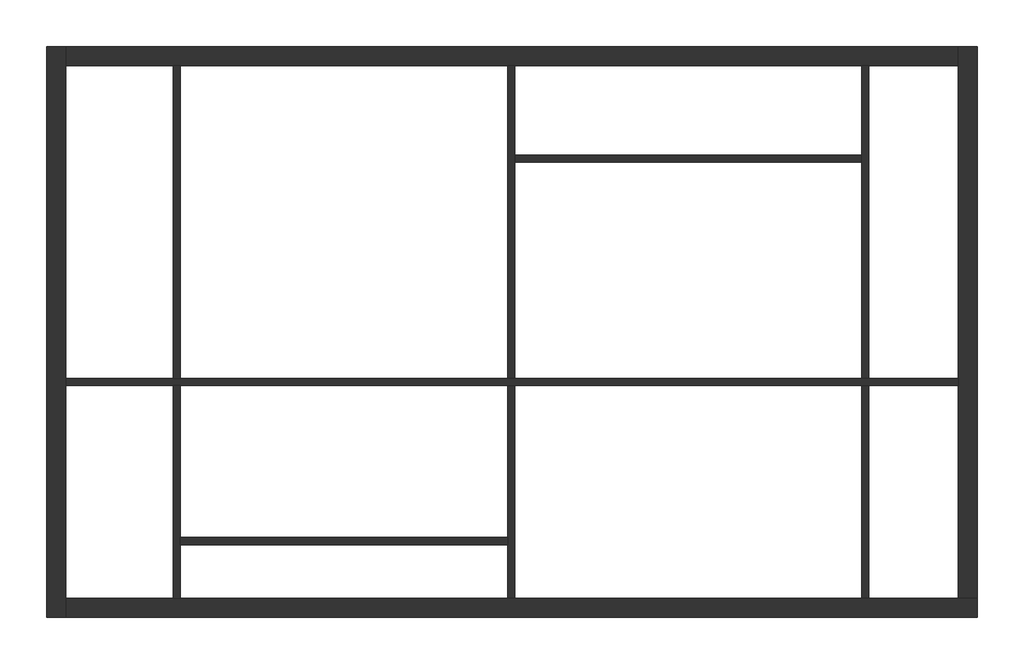
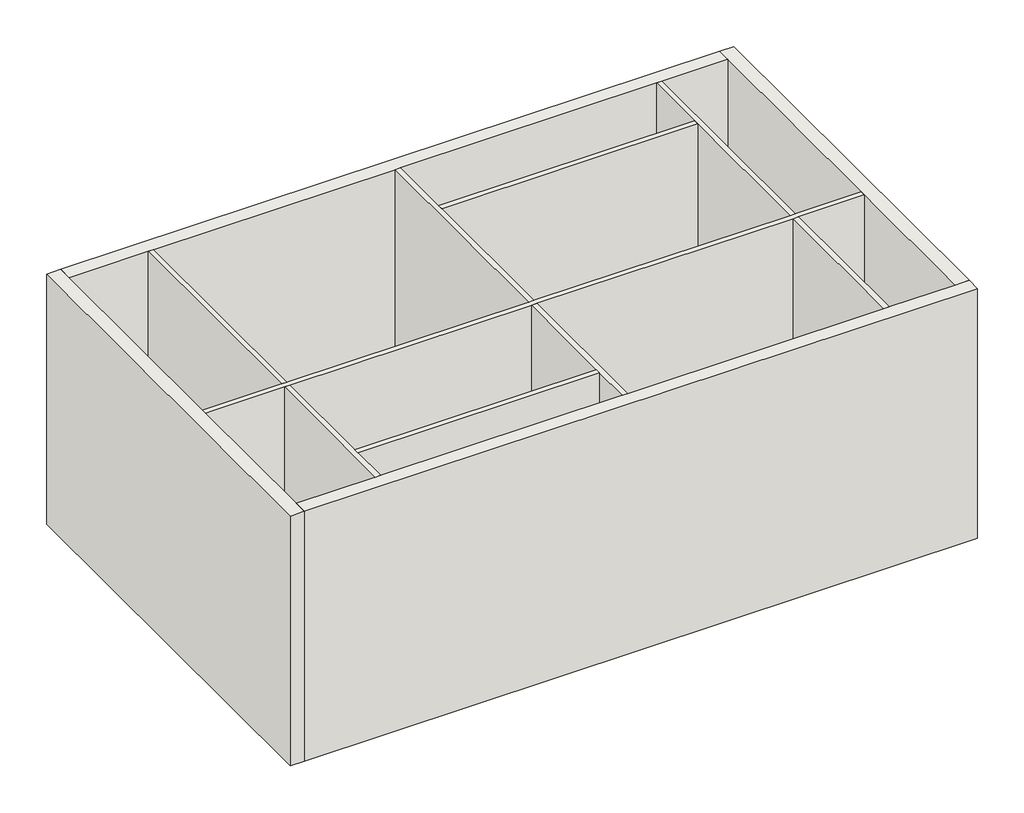
# One storey: 10 walls.
"""IFC4 building model written with IfcOpenShell, lengths in millimetres."""

from ifc_helpers import new_model, si_unit, frame, origin, place, context, project, spatial, polyline, outline, extrude, faceted_brep, element, save

model = new_model("IFC4")

# Units and contexts
model_context = context("Model", 3, world=origin())
ifc_project = project(units=[si_unit("LENGTHUNIT", "METRE", prefix="MILLI")], contexts=[model_context])

# Site, building, storey
site = spatial("IfcSite", under=ifc_project)
building = spatial("IfcBuilding", under=site)
storey = spatial("IfcBuildingStorey", under=building, Elevation=12000.0)

# Walls
placement = place(None, origin())
element("IfcWall", 1, at=placement, inside=storey, context=model_context, shape_type="Brep", body=[
    faceted_brep([(-3948.8295203, 13550.2038861, 12000.0), (-3948.8295203, 7162.2038861, 12000.0), (-3948.8295203, 7162.2038861, 16000.0), (-3948.8295203, 13550.2038861, 16000.0), (-3734.8295203, 13550.2038861, 12000.0), (-3734.8295203, 13550.2038861, 16000.0), (-3734.8295203, 13336.2038861, 16000.0), (-3734.8295203, 9836.2038861, 16000.0), (-3734.8295203, 9756.2038861, 16000.0), (-3734.8295203, 7376.2038861, 16000.0), (-3734.8295203, 7162.2038861, 16000.0), (-3734.8295203, 7162.2038861, 12000.0), (-3734.8295203, 7376.2038861, 12000.0), (-3734.8295203, 9756.2038861, 12000.0), (-3734.8295203, 9836.2038861, 12000.0), (-3734.8295203, 13336.2038861, 12000.0)], [[[0, 1, 2, 3]], [[4, 5, 6, 7, 8, 9, 10, 11, 12, 13, 14, 15]], [[1, 0, 4, 15, 14, 13, 12, 11]], [[3, 2, 10, 9, 8, 7, 6, 5]], [[0, 3, 5, 4]], [[2, 1, 11, 10]]]),
])
element("IfcWall", 2, at=placement, inside=storey, context=model_context, shape_type="Brep", body=[
    faceted_brep([(-3734.8295203, 7162.2038861, 12000.0), (6459.1704797, 7162.2038861, 12000.0), (6459.1704797, 7162.2038861, 16000.0), (-3734.8295203, 7162.2038861, 16000.0), (-3734.8295203, 7376.2038861, 12000.0), (-3734.8295203, 7376.2038861, 16000.0), (-2534.8295203, 7376.2038861, 16000.0), (-2454.8295203, 7376.2038861, 16000.0), (1205.1704797, 7376.2038861, 16000.0), (1285.1704797, 7376.2038861, 16000.0), (5165.1704797, 7376.2038861, 16000.0), (5245.1704797, 7376.2038861, 16000.0), (6245.1704797, 7376.2038861, 16000.0), (6459.1704797, 7376.2038861, 16000.0), (6459.1704797, 7376.2038861, 12000.0), (6245.1704797, 7376.2038861, 12000.0), (5245.1704797, 7376.2038861, 12000.0), (5165.1704797, 7376.2038861, 12000.0), (1285.1704797, 7376.2038861, 12000.0), (1205.1704797, 7376.2038861, 12000.0), (-2454.8295203, 7376.2038861, 12000.0), (-2534.8295203, 7376.2038861, 12000.0)], [[[0, 1, 2, 3]], [[4, 5, 6, 7, 8, 9, 10, 11, 12, 13, 14, 15, 16, 17, 18, 19, 20, 21]], [[1, 0, 4, 21, 20, 19, 18, 17, 16, 15, 14]], [[3, 2, 13, 12, 11, 10, 9, 8, 7, 6, 5]], [[2, 1, 14, 13]], [[0, 3, 5, 4]]]),
])
element("IfcWall", 3, at=placement, inside=storey, context=model_context, shape_type="Brep", body=[
    faceted_brep([(6459.1704797, 7376.2038861, 12000.0), (6459.1704797, 13550.2038861, 12000.0), (6459.1704797, 13550.2038861, 16000.0), (6459.1704797, 7376.2038861, 16000.0), (6245.1704797, 7376.2038861, 12000.0), (6245.1704797, 7376.2038861, 16000.0), (6245.1704797, 9756.2038861, 16000.0), (6245.1704797, 9836.2038861, 16000.0), (6245.1704797, 13336.2038861, 16000.0), (6245.1704797, 13550.2038861, 16000.0), (6245.1704797, 13550.2038861, 12000.0), (6245.1704797, 13336.2038861, 12000.0), (6245.1704797, 9836.2038861, 12000.0), (6245.1704797, 9756.2038861, 12000.0)], [[[0, 1, 2, 3]], [[4, 5, 6, 7, 8, 9, 10, 11, 12, 13]], [[1, 0, 4, 13, 12, 11, 10]], [[3, 2, 9, 8, 7, 6, 5]], [[2, 1, 10, 9]], [[0, 3, 5, 4]]]),
])
element("IfcWall", 4, at=placement, inside=storey, context=model_context, shape_type="Brep", body=[
    faceted_brep([(6245.1704797, 13550.2038861, 12000.0), (-3734.8295203, 13550.2038861, 12000.0), (-3734.8295203, 13550.2038861, 16000.0), (6245.1704797, 13550.2038861, 16000.0), (6245.1704797, 13336.2038861, 12000.0), (6245.1704797, 13336.2038861, 16000.0), (5245.1704797, 13336.2038861, 16000.0), (5165.1704797, 13336.2038861, 16000.0), (1285.1704797, 13336.2038861, 16000.0), (1205.1704797, 13336.2038861, 16000.0), (-2454.8295203, 13336.2038861, 16000.0), (-2534.8295203, 13336.2038861, 16000.0), (-3734.8295203, 13336.2038861, 16000.0), (-3734.8295203, 13336.2038861, 12000.0), (-2534.8295203, 13336.2038861, 12000.0), (-2454.8295203, 13336.2038861, 12000.0), (1205.1704797, 13336.2038861, 12000.0), (1285.1704797, 13336.2038861, 12000.0), (5165.1704797, 13336.2038861, 12000.0), (5245.1704797, 13336.2038861, 12000.0)], [[[0, 1, 2, 3]], [[4, 5, 6, 7, 8, 9, 10, 11, 12, 13, 14, 15, 16, 17, 18, 19]], [[1, 0, 4, 19, 18, 17, 16, 15, 14, 13]], [[3, 2, 12, 11, 10, 9, 8, 7, 6, 5]], [[0, 3, 5, 4]], [[2, 1, 13, 12]]]),
])
element("IfcWall", 5, at=placement, inside=storey, context=model_context, shape_type="Brep", body=[
    faceted_brep([(-3734.8295203, 9756.2038861, 12000.0), (-2534.8295203, 9756.2038861, 12000.0), (-2454.8295203, 9756.2038861, 12000.0), (1205.1704797, 9756.2038861, 12000.0), (1285.1704797, 9756.2038861, 12000.0), (5165.1704797, 9756.2038861, 12000.0), (5245.1704797, 9756.2038861, 12000.0), (6245.1704797, 9756.2038861, 12000.0), (6245.1704797, 9756.2038861, 16000.0), (5245.1704797, 9756.2038861, 16000.0), (5165.1704797, 9756.2038861, 16000.0), (1285.1704797, 9756.2038861, 16000.0), (1205.1704797, 9756.2038861, 16000.0), (-2454.8295203, 9756.2038861, 16000.0), (-2534.8295203, 9756.2038861, 16000.0), (-3734.8295203, 9756.2038861, 16000.0), (-3734.8295203, 9836.2038861, 12000.0), (-3734.8295203, 9836.2038861, 16000.0), (-2534.8295203, 9836.2038861, 16000.0), (-2454.8295203, 9836.2038861, 16000.0), (1205.1704797, 9836.2038861, 16000.0), (1285.1704797, 9836.2038861, 16000.0), (5165.1704797, 9836.2038861, 16000.0), (5245.1704797, 9836.2038861, 16000.0), (6245.1704797, 9836.2038861, 16000.0), (6245.1704797, 9836.2038861, 12000.0), (5245.1704797, 9836.2038861, 12000.0), (5165.1704797, 9836.2038861, 12000.0), (1285.1704797, 9836.2038861, 12000.0), (1205.1704797, 9836.2038861, 12000.0), (-2454.8295203, 9836.2038861, 12000.0), (-2534.8295203, 9836.2038861, 12000.0)], [[[0, 1, 2, 3, 4, 5, 6, 7, 8, 9, 10, 11, 12, 13, 14, 15]], [[16, 17, 18, 19, 20, 21, 22, 23, 24, 25, 26, 27, 28, 29, 30, 31]], [[7, 6, 5, 4, 3, 2, 1, 0, 16, 31, 30, 29, 28, 27, 26, 25]], [[15, 14, 13, 12, 11, 10, 9, 8, 24, 23, 22, 21, 20, 19, 18, 17]], [[0, 15, 17, 16]], [[8, 7, 25, 24]]]),
])
element("IfcWall", 6, at=placement, inside=storey, context=model_context, shape_type="Brep", body=[
    faceted_brep([(-2534.8295203, 13336.2038861, 16000.0), (-2534.8295203, 13336.2038861, 12000.0), (-2534.8295203, 9836.2038861, 12000.0), (-2534.8295203, 9836.2038861, 16000.0), (-2454.8295203, 13336.2038861, 12000.0), (-2454.8295203, 13336.2038861, 16000.0), (-2454.8295203, 9836.2038861, 16000.0), (-2454.8295203, 9836.2038861, 12000.0)], [[[0, 1, 2, 3]], [[4, 5, 6, 7]], [[1, 4, 7, 2]], [[5, 0, 3, 6]], [[1, 0, 5, 4]], [[3, 2, 7, 6]]]),
    faceted_brep([(-2534.8295203, 7376.2038861, 12000.0), (-2534.8295203, 7376.2038861, 16000.0), (-2534.8295203, 9756.2038861, 16000.0), (-2534.8295203, 9756.2038861, 12000.0), (-2454.8295203, 7376.2038861, 16000.0), (-2454.8295203, 7376.2038861, 12000.0), (-2454.8295203, 7976.2038861, 12000.0), (-2454.8295203, 8056.2038861, 12000.0), (-2454.8295203, 9756.2038861, 12000.0), (-2454.8295203, 9756.2038861, 16000.0), (-2454.8295203, 8056.2038861, 16000.0), (-2454.8295203, 7976.2038861, 16000.0)], [[[0, 1, 2, 3]], [[4, 5, 6, 7, 8, 9, 10, 11]], [[5, 0, 3, 8, 7, 6]], [[1, 4, 11, 10, 9, 2]], [[3, 2, 9, 8]], [[1, 0, 5, 4]]]),
])
element("IfcWall", 7, at=placement, inside=storey, context=model_context, shape_type="Brep", body=[
    faceted_brep([(1205.1704797, 13336.2038861, 16000.0), (1205.1704797, 13336.2038861, 12000.0), (1205.1704797, 9836.2038861, 12000.0), (1205.1704797, 9836.2038861, 16000.0), (1285.1704797, 13336.2038861, 12000.0), (1285.1704797, 13336.2038861, 16000.0), (1285.1704797, 12336.2038861, 16000.0), (1285.1704797, 12256.2038861, 16000.0), (1285.1704797, 9836.2038861, 16000.0), (1285.1704797, 9836.2038861, 12000.0), (1285.1704797, 12256.2038861, 12000.0), (1285.1704797, 12336.2038861, 12000.0)], [[[0, 1, 2, 3]], [[4, 5, 6, 7, 8, 9, 10, 11]], [[1, 4, 11, 10, 9, 2]], [[5, 0, 3, 8, 7, 6]], [[1, 0, 5, 4]], [[3, 2, 9, 8]]]),
    faceted_brep([(1205.1704797, 7376.2038861, 12000.0), (1205.1704797, 7376.2038861, 16000.0), (1205.1704797, 7976.2038861, 16000.0), (1205.1704797, 8056.2038861, 16000.0), (1205.1704797, 9756.2038861, 16000.0), (1205.1704797, 9756.2038861, 12000.0), (1205.1704797, 8056.2038861, 12000.0), (1205.1704797, 7976.2038861, 12000.0), (1285.1704797, 7376.2038861, 16000.0), (1285.1704797, 7376.2038861, 12000.0), (1285.1704797, 9756.2038861, 12000.0), (1285.1704797, 9756.2038861, 16000.0)], [[[0, 1, 2, 3, 4, 5, 6, 7]], [[8, 9, 10, 11]], [[9, 0, 7, 6, 5, 10]], [[1, 8, 11, 4, 3, 2]], [[5, 4, 11, 10]], [[1, 0, 9, 8]]]),
])
element("IfcWall", 8, at=placement, inside=storey, context=model_context, shape_type="Brep", body=[
    faceted_brep([(5165.1704797, 13336.2038861, 16000.0), (5165.1704797, 13336.2038861, 12000.0), (5165.1704797, 12336.2038861, 12000.0), (5165.1704797, 12256.2038861, 12000.0), (5165.1704797, 9836.2038861, 12000.0), (5165.1704797, 9836.2038861, 16000.0), (5165.1704797, 12256.2038861, 16000.0), (5165.1704797, 12336.2038861, 16000.0), (5245.1704797, 13336.2038861, 12000.0), (5245.1704797, 13336.2038861, 16000.0), (5245.1704797, 9836.2038861, 16000.0), (5245.1704797, 9836.2038861, 12000.0)], [[[0, 1, 2, 3, 4, 5, 6, 7]], [[8, 9, 10, 11]], [[1, 8, 11, 4, 3, 2]], [[9, 0, 7, 6, 5, 10]], [[1, 0, 9, 8]], [[5, 4, 11, 10]]]),
    faceted_brep([(5165.1704797, 7376.2038861, 12000.0), (5165.1704797, 7376.2038861, 16000.0), (5165.1704797, 9756.2038861, 16000.0), (5165.1704797, 9756.2038861, 12000.0), (5245.1704797, 7376.2038861, 16000.0), (5245.1704797, 7376.2038861, 12000.0), (5245.1704797, 9756.2038861, 12000.0), (5245.1704797, 9756.2038861, 16000.0)], [[[0, 1, 2, 3]], [[4, 5, 6, 7]], [[5, 0, 3, 6]], [[1, 4, 7, 2]], [[3, 2, 7, 6]], [[1, 0, 5, 4]]]),
])
element("IfcWall", 9, at=placement, inside=storey, context=model_context, shape_type="SweptSolid", body=[
    extrude(outline(polyline([(1205.1704797, 7976.2038861), (-2454.8295203, 7976.2038861), (-2454.8295203, 8056.2038861), (1205.1704797, 8056.2038861), (1205.1704797, 7976.2038861)])), frame((0.0, 0.0, 12000.0), z_axis=(0.0, 0.0, 1.0), x_axis=(1.0, 0.0, 0.0)), (0.0, 0.0, 1.0), 4000.0),
])
element("IfcWall", 10, at=placement, inside=storey, context=model_context, shape_type="SweptSolid", body=[
    extrude(outline(polyline([(5165.1704797, 12256.2038861), (1285.1704797, 12256.2038861), (1285.1704797, 12336.2038861), (5165.1704797, 12336.2038861), (5165.1704797, 12256.2038861)])), frame((0.0, 0.0, 12000.0), z_axis=(0.0, 0.0, 1.0), x_axis=(1.0, 0.0, 0.0)), (0.0, 0.0, 1.0), 4000.0),
])

save(model, "model.ifc")
